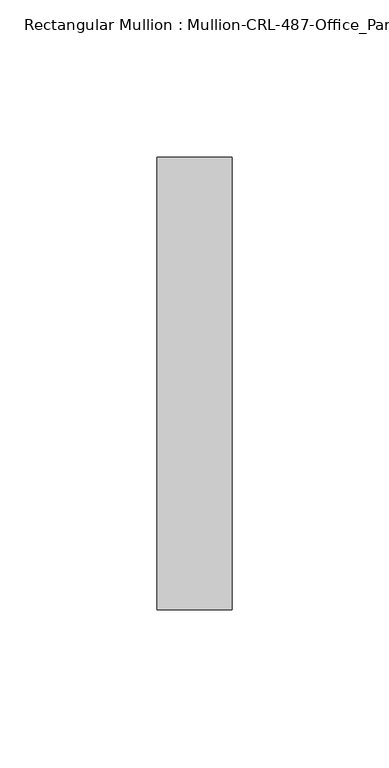
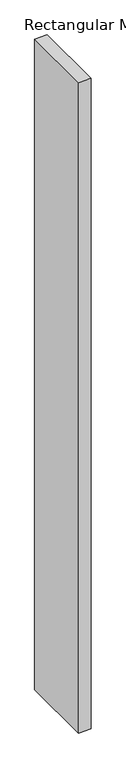
"""IFC4 building model written with IfcOpenShell, lengths in millimetres: member geometry, Rectangular Mullion : Mullion-CRL-487-Office_Partition-Cased."""

from ifc_helpers import new_model, si_unit, frame, origin, place, context, project, spatial, polyline, outline, extrude, source, transform, mapped, element, save


def rectangular_mullion_mullion_crl_487_office_partition_cased_a6cfae26(model_context):
    return source(origin(), model_context, "Body", "SweptSolid", [
        extrude(outline(polyline([(-23.7998, -71.9452143), (-23.7998, 71.9452142), (0.0, 71.9452142), (0.0, -71.9452143), (-23.7998, -71.9452143)])), frame((0.0, 0.0, -1304.9157168), z_axis=(0.0, 0.0, 1.0), x_axis=(1.0, 0.0, 0.0)), (0.0, 0.0, 1.0), 1304.9157168),
    ])


if __name__ == "__main__":
    model = new_model("IFC4")
    model_context = context("Model", 3, world=origin())
    ifc_project = project(units=[si_unit("LENGTHUNIT", "METRE", prefix="MILLI")], contexts=[model_context])
    site = spatial("IfcSite", under=ifc_project)
    building = spatial("IfcBuilding", under=site)
    placement = place(None, origin())
    rectangular_mullion_mullion_crl_487_office_partition_cased_shape = rectangular_mullion_mullion_crl_487_office_partition_cased_a6cfae26(model_context)
    element("IfcMember", 1, ObjectType="Rectangular Mullion : Mullion-CRL-487-Office_Partition-Cased", at=placement, inside=building, context=model_context, shape_type="MappedRepresentation", body=[
        mapped(rectangular_mullion_mullion_crl_487_office_partition_cased_shape, transform((0.0, 0.0, 0.0), x_axis=(1.0, 0.0, 0.0), y_axis=(0.0, 1.0, 0.0), z_axis=(0.0, 0.0, 1.0))),
    ])
    save(model, "model.ifc")
